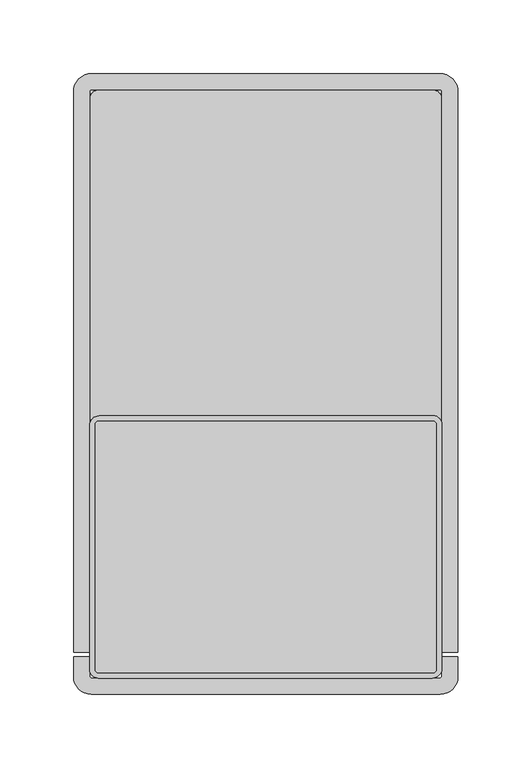
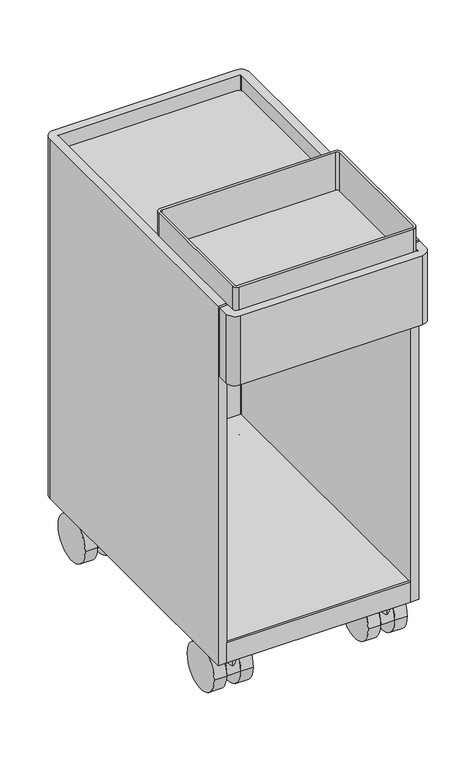
"""IFC4 building model written with IfcOpenShell, lengths in millimetres: furniture geometry."""

from ifc_helpers import new_model, si_unit, point, frame, frame_2d, origin, place, context, project, spatial, polyline, circle_curve, trimmed, segment, composite_curve, outline, extrude, source, transform, mapped, element, save
from ifc_brep_helpers import plane_surface, cylinder_surface, revolved_surface, advanced_brep


def furniture_bc8585e8(model_context):
    return source(origin(), model_context, "Body", "SolidModel", [
        advanced_brep(
        [(230.8338534, 392.1080568, 81.9865934), (230.8338534, 384.3838281, 81.9865934), (230.8338534, 388.2459425, 81.9865934), (230.8338534, 396.2469802, 60.9600009), (230.8338534, 380.2449047, 60.9600009), (230.8338534, 396.2469802, 30.4800005), (230.8338534, 380.2449047, 30.4800005), (230.8338534, 388.2459425, 30.4800005)],
        [
            (0, 1, circle_curve(frame((230.8338534, 388.2459425, 81.9865934), z_axis=(0.0, 0.0, 1.0), x_axis=(0.0, -1.0, 0.0)), 3.8621143)),
            (1, 2),
            (2, 0),
            (1, 0, circle_curve(frame((230.8338534, 388.2459425, 81.9865934), z_axis=(0.0, 0.0, 1.0), x_axis=(0.0, -1.0, 0.0)), 3.8621143)),
            (0, 3),
            (3, 4, circle_curve(frame((230.8338534, 388.2459425, 60.9600009), z_axis=(0.0, 0.0, 1.0), x_axis=(0.0, -1.0, 0.0)), 8.0010378)),
            (4, 1),
            (4, 3, circle_curve(frame((230.8338534, 388.2459425, 60.9600009), z_axis=(0.0, 0.0, 1.0), x_axis=(0.0, -1.0, 0.0)), 8.0010378)),
            (3, 5),
            (5, 6, circle_curve(frame((230.8338534, 388.2459425, 30.4800005), z_axis=(0.0, 0.0, 1.0), x_axis=(0.0, -1.0, 0.0)), 8.0010378)),
            (6, 4),
            (6, 5, circle_curve(frame((230.8338534, 388.2459425, 30.4800005), z_axis=(0.0, 0.0, 1.0), x_axis=(0.0, -1.0, 0.0)), 8.0010378)),
            (5, 7),
            (7, 6),
        ],
        [
            plane_surface(frame((230.8338534, 388.2459425, 81.9865934), z_axis=(0.0, 0.0, 1.0), x_axis=(0.0, -1.0, 0.0))),
            revolved_surface(polyline([(230.8338534, 384.3838281, 81.9865934), (230.8338534, 380.2449047, 60.9600009)]), (230.8338534, 388.2459425, 64.8312081), (0.0, 0.0, -1.0)),
            cylinder_surface(frame((230.8338534, 388.2459425, 64.8312081), z_axis=(0.0, 0.0, -1.0), x_axis=(0.0, -1.0, 0.0)), 8.0010378),
            plane_surface(frame((230.8338534, 388.2459425, 30.4800005), z_axis=(0.0, 0.0, -1.0), x_axis=(0.0, -1.0, 0.0))),
        ],
        [
            (0, [[1, 2, 3]]),
            (0, [[-2, 4, -3]]),
            (1, [[-1, 5, 6, 7]]),
            (1, [[-4, -7, 8, -5]]),
            (2, [[-6, 9, 10, 11]]),
            (2, [[-8, -11, 12, -9]]),
            (3, [[-10, 13, 14]]),
            (3, [[-12, -14, -13]]),
        ],
    ),
        extrude(outline(composite_curve([segment(trimmed(circle_curve(frame_2d((367.9259255, 30.4800005)), 30.4800005), [point((337.445925, 30.4800005))], [point((398.405926, 30.4800005))], False, "CARTESIAN"), True, "CONTINUOUS"), segment(trimmed(circle_curve(frame_2d((367.9259255, 30.4800005)), 30.4800005), [point((398.405926, 30.4800005))], [point((337.445925, 30.4800005))], False, "CARTESIAN"), True, "CONTINUOUS")], self_intersect=False)), frame((240.2318535, 0.0, 0.0), z_axis=(1.0, 0.0, 0.0), x_axis=(0.0, 1.0, 0.0)), (0.0, 0.0, 1.0), 16.0020006),
        extrude(outline(composite_curve([segment(trimmed(circle_curve(frame_2d((367.9259255, 30.4800005)), 30.4800005), [point((337.445925, 30.4800005))], [point((398.405926, 30.4800005))], False, "CARTESIAN"), True, "CONTINUOUS"), segment(trimmed(circle_curve(frame_2d((367.9259255, 30.4800005)), 30.4800005), [point((398.405926, 30.4800005))], [point((337.445925, 30.4800005))], False, "CARTESIAN"), True, "CONTINUOUS")], self_intersect=False)), frame((205.4338526, 0.0, 0.0), z_axis=(1.0, 0.0, 0.0), x_axis=(0.0, 1.0, 0.0)), (0.0, 0.0, 1.0), 16.0020008),
        extrude(outline(composite_curve([segment(trimmed(circle_curve(frame_2d((367.9259255, 30.4800005)), 30.4800005), [point((337.445925, 30.4800005))], [point((398.405926, 30.4800005))], False, "CARTESIAN"), True, "CONTINUOUS"), segment(polyline([(398.405926, 30.4800005), (337.445925, 30.4800005)]), True, "CONTINUOUS")], self_intersect=False)), frame((222.2935172, 0.0, 0.0), z_axis=(1.0, 0.0, 0.0), x_axis=(0.0, 1.0, 0.0)), (0.0, 0.0, 1.0), 17.0806723),
        advanced_brep(
        [(230.8338534, 56.2728064, 81.9865934), (230.8338534, 60.1349207, 81.9865934), (230.8338534, 52.410692, 81.9865934), (230.8338534, 64.2738442, 60.9600009), (230.8338534, 48.2717686, 60.9600009), (230.8338534, 64.2738442, 30.4800005), (230.8338534, 48.2717686, 30.4800005), (230.8338534, 56.2728064, 30.4800005)],
        [
            (0, 1),
            (1, 2, circle_curve(frame((230.8338534, 56.2728064, 81.9865934), z_axis=(0.0, 0.0, 1.0), x_axis=(0.0, 1.0, 0.0)), 3.8621143)),
            (2, 0),
            (2, 1, circle_curve(frame((230.8338534, 56.2728064, 81.9865934), z_axis=(0.0, 0.0, 1.0), x_axis=(0.0, 1.0, 0.0)), 3.8621143)),
            (1, 3),
            (3, 4, circle_curve(frame((230.8338534, 56.2728064, 60.9600009), z_axis=(0.0, 0.0, 1.0), x_axis=(0.0, 1.0, 0.0)), 8.0010378)),
            (4, 2),
            (4, 3, circle_curve(frame((230.8338534, 56.2728064, 60.9600009), z_axis=(0.0, 0.0, 1.0), x_axis=(0.0, 1.0, 0.0)), 8.0010378)),
            (3, 5),
            (5, 6, circle_curve(frame((230.8338534, 56.2728064, 30.4800005), z_axis=(0.0, 0.0, 1.0), x_axis=(0.0, 1.0, 0.0)), 8.0010378)),
            (6, 4),
            (6, 5, circle_curve(frame((230.8338534, 56.2728064, 30.4800005), z_axis=(0.0, 0.0, 1.0), x_axis=(0.0, 1.0, 0.0)), 8.0010378)),
            (5, 7),
            (7, 6),
        ],
        [
            plane_surface(frame((230.8338534, 56.2728064, 81.9865934), z_axis=(0.0, 0.0, 1.0), x_axis=(0.0, 1.0, 0.0))),
            revolved_surface(polyline([(230.8338534, 64.2738442, 60.9600009), (230.8338534, 60.1349207, 81.9865934)]), (230.8338534, 56.2728064, 64.8312081), (0.0, 0.0, 1.0)),
            cylinder_surface(frame((230.8338534, 56.2728064, 64.8312081), z_axis=(0.0, 0.0, 1.0), x_axis=(0.0, 1.0, 0.0)), 8.0010378),
            plane_surface(frame((230.8338534, 56.2728064, 30.4800005), z_axis=(0.0, 0.0, -1.0), x_axis=(0.0, 1.0, 0.0))),
        ],
        [
            (0, [[1, 2, 3]]),
            (0, [[-1, -3, 4]]),
            (1, [[-2, 5, 6, 7]]),
            (1, [[-4, -7, 8, -5]]),
            (2, [[-6, 9, 10, 11]]),
            (2, [[-8, -11, 12, -9]]),
            (3, [[-10, 13, 14]]),
            (3, [[-12, -14, -13]]),
        ],
    ),
        extrude(outline(composite_curve([segment(trimmed(circle_curve(frame_2d((76.5928234, 30.4800005)), 30.4800005), [point((46.1128229, 30.4800005))], [point((107.0728238, 30.4800005))], False, "CARTESIAN"), True, "CONTINUOUS"), segment(trimmed(circle_curve(frame_2d((76.5928234, 30.4800005)), 30.4800005), [point((107.0728238, 30.4800005))], [point((46.1128229, 30.4800005))], False, "CARTESIAN"), True, "CONTINUOUS")], self_intersect=False)), frame((240.2318535, 0.0, 0.0), z_axis=(1.0, 0.0, 0.0), x_axis=(0.0, 1.0, 0.0)), (0.0, 0.0, 1.0), 16.0020006),
        extrude(outline(composite_curve([segment(trimmed(circle_curve(frame_2d((76.5928234, 30.4800005)), 30.4800005), [point((107.0728238, 30.4800005))], [point((46.1128229, 30.4800005))], False, "CARTESIAN"), True, "CONTINUOUS"), segment(trimmed(circle_curve(frame_2d((76.5928234, 30.4800005)), 30.4800005), [point((46.1128229, 30.4800005))], [point((107.0728238, 30.4800005))], False, "CARTESIAN"), True, "CONTINUOUS")], self_intersect=False)), frame((205.4338526, 0.0, 0.0), z_axis=(1.0, 0.0, 0.0), x_axis=(0.0, 1.0, 0.0)), (0.0, 0.0, 1.0), 16.0020008),
        extrude(outline(composite_curve([segment(trimmed(circle_curve(frame_2d((76.5928234, 30.4800005)), 30.4800005), [point((46.1128229, 30.4800005))], [point((107.0728238, 30.4800005))], False, "CARTESIAN"), True, "CONTINUOUS"), segment(polyline([(107.0728238, 30.4800005), (46.1128229, 30.4800005)]), True, "CONTINUOUS")], self_intersect=False)), frame((222.2935172, 0.0, 0.0), z_axis=(1.0, 0.0, 0.0), x_axis=(0.0, 1.0, 0.0)), (0.0, 0.0, 1.0), 17.0806723),
        advanced_brep(
        [(30.1661494, 388.2459425, 81.9865934), (30.1661494, 384.3838281, 81.9865934), (30.1661494, 392.1080568, 81.9865934), (30.1661494, 380.2449047, 60.9600009), (30.1661494, 396.2469802, 60.9600009), (30.1661494, 380.2449047, 30.4800005), (30.1661494, 396.2469802, 30.4800005), (30.1661494, 388.2459425, 30.4800005)],
        [
            (0, 1),
            (1, 2, circle_curve(frame((30.1661494, 388.2459425, 81.9865934), z_axis=(0.0, 0.0, 1.0), x_axis=(0.0, -1.0, 0.0)), 3.8621143)),
            (2, 0),
            (2, 1, circle_curve(frame((30.1661494, 388.2459425, 81.9865934), z_axis=(0.0, 0.0, 1.0), x_axis=(0.0, -1.0, 0.0)), 3.8621143)),
            (1, 3),
            (3, 4, circle_curve(frame((30.1661494, 388.2459425, 60.9600009), z_axis=(0.0, 0.0, 1.0), x_axis=(0.0, -1.0, 0.0)), 8.0010378)),
            (4, 2),
            (4, 3, circle_curve(frame((30.1661494, 388.2459425, 60.9600009), z_axis=(0.0, 0.0, 1.0), x_axis=(0.0, -1.0, 0.0)), 8.0010378)),
            (3, 5),
            (5, 6, circle_curve(frame((30.1661494, 388.2459425, 30.4800005), z_axis=(0.0, 0.0, 1.0), x_axis=(0.0, -1.0, 0.0)), 8.0010378)),
            (6, 4),
            (6, 5, circle_curve(frame((30.1661494, 388.2459425, 30.4800005), z_axis=(0.0, 0.0, 1.0), x_axis=(0.0, -1.0, 0.0)), 8.0010378)),
            (5, 7),
            (7, 6),
        ],
        [
            plane_surface(frame((30.1661494, 388.2459425, 81.9865934), z_axis=(0.0, 0.0, 1.0), x_axis=(0.0, -1.0, 0.0))),
            revolved_surface(polyline([(30.1661494, 380.2449047, 60.9600009), (30.1661494, 384.3838281, 81.9865934)]), (30.1661494, 388.2459425, 64.8312081), (0.0, 0.0, 1.0)),
            cylinder_surface(frame((30.1661494, 388.2459425, 64.8312081), z_axis=(0.0, 0.0, 1.0), x_axis=(0.0, -1.0, 0.0)), 8.0010378),
            plane_surface(frame((30.1661494, 388.2459425, 30.4800005), z_axis=(0.0, 0.0, -1.0), x_axis=(0.0, -1.0, 0.0))),
        ],
        [
            (0, [[1, 2, 3]]),
            (0, [[-1, -3, 4]]),
            (1, [[-2, 5, 6, 7]]),
            (1, [[-4, -7, 8, -5]]),
            (2, [[-6, 9, 10, 11]]),
            (2, [[-8, -11, 12, -9]]),
            (3, [[-10, 13, 14]]),
            (3, [[-12, -14, -13]]),
        ],
    ),
        extrude(outline(composite_curve([segment(trimmed(circle_curve(frame_2d((367.9259255, 30.4800005)), 30.4800005), [point((337.445925, 30.4800005))], [point((398.405926, 30.4800005))], False, "CARTESIAN"), True, "CONTINUOUS"), segment(trimmed(circle_curve(frame_2d((367.9259255, 30.4800005)), 30.4800005), [point((398.405926, 30.4800005))], [point((337.445925, 30.4800005))], False, "CARTESIAN"), True, "CONTINUOUS")], self_intersect=False)), frame((4.7661486, 0.0, 0.0), z_axis=(1.0, 0.0, 0.0), x_axis=(0.0, 1.0, 0.0)), (0.0, 0.0, 1.0), 16.0020006),
        extrude(outline(composite_curve([segment(trimmed(circle_curve(frame_2d((367.9259255, 30.4800005)), 30.4800005), [point((337.445925, 30.4800005))], [point((398.405926, 30.4800005))], False, "CARTESIAN"), True, "CONTINUOUS"), segment(trimmed(circle_curve(frame_2d((367.9259255, 30.4800005)), 30.4800005), [point((398.405926, 30.4800005))], [point((337.445925, 30.4800005))], False, "CARTESIAN"), True, "CONTINUOUS")], self_intersect=False)), frame((39.5641494, 0.0, 0.0), z_axis=(1.0, 0.0, 0.0), x_axis=(0.0, 1.0, 0.0)), (0.0, 0.0, 1.0), 16.0020008),
        extrude(outline(composite_curve([segment(trimmed(circle_curve(frame_2d((367.9259255, 30.4800005)), 30.4800005), [point((337.445925, 30.4800005))], [point((398.405926, 30.4800005))], False, "CARTESIAN"), True, "CONTINUOUS"), segment(polyline([(398.405926, 30.4800005), (337.445925, 30.4800005)]), True, "CONTINUOUS")], self_intersect=False)), frame((21.6258132, 0.0, 0.0), z_axis=(1.0, 0.0, 0.0), x_axis=(0.0, 1.0, 0.0)), (0.0, 0.0, 1.0), 17.0806723),
        advanced_brep(
        [(30.1661494, 52.410692, 81.9865934), (30.1661494, 60.1349207, 81.9865934), (30.1661494, 56.2728064, 81.9865934), (30.1661494, 48.2717686, 60.9600009), (30.1661494, 64.2738442, 60.9600009), (30.1661494, 48.2717686, 30.4800005), (30.1661494, 64.2738442, 30.4800005), (30.1661494, 56.2728064, 30.4800005)],
        [
            (0, 1, circle_curve(frame((30.1661494, 56.2728064, 81.9865934), z_axis=(0.0, 0.0, 1.0), x_axis=(0.0, 1.0, 0.0)), 3.8621143)),
            (1, 2),
            (2, 0),
            (1, 0, circle_curve(frame((30.1661494, 56.2728064, 81.9865934), z_axis=(0.0, 0.0, 1.0), x_axis=(0.0, 1.0, 0.0)), 3.8621143)),
            (3, 4, circle_curve(frame((30.1661494, 56.2728064, 60.9600009), z_axis=(0.0, 0.0, 1.0), x_axis=(0.0, 1.0, 0.0)), 8.0010378)),
            (4, 1),
            (0, 3),
            (4, 3, circle_curve(frame((30.1661494, 56.2728064, 60.9600009), z_axis=(0.0, 0.0, 1.0), x_axis=(0.0, 1.0, 0.0)), 8.0010378)),
            (5, 6, circle_curve(frame((30.1661494, 56.2728064, 30.4800005), z_axis=(0.0, 0.0, 1.0), x_axis=(0.0, 1.0, 0.0)), 8.0010378)),
            (6, 4),
            (3, 5),
            (6, 5, circle_curve(frame((30.1661494, 56.2728064, 30.4800005), z_axis=(0.0, 0.0, 1.0), x_axis=(0.0, 1.0, 0.0)), 8.0010378)),
            (7, 6),
            (5, 7),
        ],
        [
            plane_surface(frame((30.1661494, 56.2728064, 81.9865934), z_axis=(0.0, 0.0, 1.0), x_axis=(0.0, 1.0, 0.0))),
            revolved_surface(polyline([(30.1661494, 60.1349207, 81.9865934), (30.1661494, 64.2738442, 60.9600009)]), (30.1661494, 56.2728064, 64.8312081), (0.0, 0.0, -1.0)),
            cylinder_surface(frame((30.1661494, 56.2728064, 64.8312081), z_axis=(0.0, 0.0, -1.0), x_axis=(0.0, 1.0, 0.0)), 8.0010378),
            plane_surface(frame((30.1661494, 56.2728064, 30.4800005), z_axis=(0.0, 0.0, -1.0), x_axis=(0.0, 1.0, 0.0))),
        ],
        [
            (0, [[1, 2, 3]]),
            (0, [[4, -3, -2]]),
            (1, [[5, 6, -1, 7]]),
            (1, [[8, -7, -4, -6]]),
            (2, [[9, 10, -5, 11]]),
            (2, [[12, -11, -8, -10]]),
            (3, [[13, -9, 14]]),
            (3, [[-14, -12, -13]]),
        ],
    ),
        advanced_brep(
        [(4.7661486, 107.0728238, 30.4800005), (4.7661486, 46.1128229, 30.4800005), (20.7681494, 107.0728238, 30.4800005), (20.7681494, 76.5928234, 0.0), (20.7681494, 46.1128229, 30.4800005)],
        [
            (0, 1, circle_curve(frame((4.7661486, 76.5928234, 30.4800005), z_axis=(-1.0, 0.0, 0.0), x_axis=(0.0, -1.0, 0.0)), 30.4800005)),
            (1, 0, circle_curve(frame((4.7661486, 76.5928234, 30.4800005), z_axis=(-1.0, 0.0, 0.0), x_axis=(0.0, -1.0, 0.0)), 30.4800005)),
            (0, 2),
            (2, 3, circle_curve(frame((20.7681494, 76.5928234, 30.4800005), z_axis=(-1.0, 0.0, 0.0), x_axis=(0.0, -1.0, 0.0)), 30.4800005)),
            (3, 4, circle_curve(frame((20.7681494, 76.5928234, 30.4800005), z_axis=(-1.0, 0.0, 0.0), x_axis=(0.0, -1.0, 0.0)), 30.4800005)),
            (4, 1),
            (4, 2, circle_curve(frame((20.7681494, 76.5928234, 30.4800005), z_axis=(-1.0, 0.0, 0.0), x_axis=(0.0, -1.0, 0.0)), 30.4800005)),
        ],
        [
            plane_surface(frame((4.7661486, 46.1128229, 30.4800005), z_axis=(-1.0, 0.0, 0.0), x_axis=(0.0, 0.0, 1.0))),
            cylinder_surface(frame((55.5661501, 76.5928234, 30.4800005), z_axis=(-1.0, 0.0, 0.0), x_axis=(0.0, -1.0, 0.0)), 30.4800005),
            plane_surface(frame((20.7681494, 107.0728238, 64.8312081), z_axis=(1.0, 0.0, 0.0), x_axis=(0.0, 0.0, -1.0))),
        ],
        [
            (0, [[1, 2]]),
            (1, [[-1, 3, 4, 5, 6]]),
            (1, [[-2, -6, 7, -3]]),
            (2, [[-4, -7, -5]]),
        ],
    ),
        advanced_brep(
        [(55.5661501, 107.0728238, 30.4800005), (55.5661501, 46.1128229, 30.4800005), (39.5641494, 46.1128229, 30.4800005), (39.5641494, 76.5928234, 0.0), (39.5641494, 107.0728238, 30.4800005)],
        [
            (0, 1, circle_curve(frame((55.5661501, 76.5928234, 30.4800005), z_axis=(1.0, 0.0, 0.0), x_axis=(0.0, -1.0, 0.0)), 30.4800005)),
            (1, 0, circle_curve(frame((55.5661501, 76.5928234, 30.4800005), z_axis=(1.0, 0.0, 0.0), x_axis=(0.0, -1.0, 0.0)), 30.4800005)),
            (1, 2),
            (2, 3, circle_curve(frame((39.5641494, 76.5928234, 30.4800005), z_axis=(1.0, 0.0, 0.0), x_axis=(0.0, -1.0, 0.0)), 30.4800005)),
            (3, 4, circle_curve(frame((39.5641494, 76.5928234, 30.4800005), z_axis=(1.0, 0.0, 0.0), x_axis=(0.0, -1.0, 0.0)), 30.4800005)),
            (4, 0),
            (4, 2, circle_curve(frame((39.5641494, 76.5928234, 30.4800005), z_axis=(1.0, 0.0, 0.0), x_axis=(0.0, -1.0, 0.0)), 30.4800005)),
        ],
        [
            plane_surface(frame((55.5661501, 46.1128229, 30.4800005), z_axis=(1.0, 0.0, 0.0), x_axis=(0.0, 0.0, -1.0))),
            cylinder_surface(frame((55.5661501, 76.5928234, 30.4800005), z_axis=(-1.0, 0.0, 0.0), x_axis=(0.0, -1.0, 0.0)), 30.4800005),
            plane_surface(frame((39.5641494, 46.1128229, 64.8312081), z_axis=(-1.0, 0.0, 0.0), x_axis=(0.0, 0.0, -1.0))),
        ],
        [
            (0, [[1, 2]]),
            (1, [[-2, 3, 4, 5, 6]]),
            (1, [[-1, -6, 7, -3]]),
            (2, [[-5, -4, -7]]),
        ],
    ),
        advanced_brep(
        [(38.7064855, 46.1128229, 30.4800005), (38.7064855, 107.0728238, 30.4800005), (21.6258132, 107.0728238, 30.4800005), (21.6258132, 46.1128229, 30.4800005)],
        [
            (0, 1, circle_curve(frame((38.7064855, 76.5928234, 30.4800005), z_axis=(-1.0, 0.0, 0.0), x_axis=(0.0, -1.0, 0.0)), 30.4800005)),
            (1, 2),
            (2, 3, circle_curve(frame((21.6258132, 76.5928234, 30.4800005), z_axis=(1.0, 0.0, 0.0), x_axis=(0.0, -1.0, 0.0)), 30.4800005)),
            (3, 0),
            (0, 1),
            (2, 3),
        ],
        [
            cylinder_surface(frame((55.5661501, 76.5928234, 30.4800005), z_axis=(-1.0, 0.0, 0.0), x_axis=(0.0, -1.0, 0.0)), 30.4800005),
            plane_surface(frame((38.7064855, 107.0728238, 64.8312081), z_axis=(1.0, 0.0, 0.0), x_axis=(0.0, 0.0, -1.0))),
            plane_surface(frame((21.6258132, 46.1128229, 64.8312081), z_axis=(-1.0, 0.0, 0.0), x_axis=(0.0, 0.0, -1.0))),
            plane_surface(frame((39.5641494, 107.0728238, 30.4800005), z_axis=(0.0, 0.0, -1.0), x_axis=(-1.0, 0.0, 0.0))),
        ],
        [
            (0, [[1, 2, 3, 4]]),
            (1, [[-1, 5]]),
            (2, [[-3, 6]]),
            (3, [[-2, -5, -4, -6]]),
        ],
    ),
        extrude(outline(polyline([(250.0087041, 28.4999932), (10.9912986, 28.4999932), (10.9912986, 31.5479932), (250.0087041, 31.5479932), (250.0087041, 28.4999932)])), frame((0.0, 0.0, 62.7640559), z_axis=(0.0, 0.0, 1.0), x_axis=(1.0, 0.0, 0.0)), (0.0, 0.0, 1.0), 27.3200257),
        extrude(outline(composite_curve([segment(trimmed(circle_curve(frame_2d((244.2838638, 183.3602206)), 5.7248403), [point((244.2838638, 189.0850609))], [point((250.0087041, 183.3602206))], False, "CARTESIAN"), True, "CONTINUOUS"), segment(polyline([(250.0087041, 183.3602206), (250.0087041, 17.3412986)]), True, "CONTINUOUS"), segment(trimmed(circle_curve(frame_2d((243.6587041, 17.3412986)), 6.35), [point((250.0087041, 17.3412986))], [point((243.6587041, 10.9912986))], False, "CARTESIAN"), True, "CONTINUOUS"), segment(polyline([(243.6587041, 10.9912986), (16.7062986, 10.9912986)]), True, "CONTINUOUS"), segment(trimmed(circle_curve(frame_2d((16.7062986, 16.7062986)), 5.715), [point((16.7062986, 10.9912986))], [point((10.9912986, 16.7062986))], False, "CARTESIAN"), True, "CONTINUOUS"), segment(polyline([(10.9912986, 16.7062986), (10.9912986, 182.7350609)]), True, "CONTINUOUS"), segment(trimmed(circle_curve(frame_2d((17.3412986, 182.7350609)), 6.35), [point((10.9912986, 182.7350609))], [point((17.3412986, 189.0850609))], False, "CARTESIAN"), True, "CONTINUOUS"), segment(polyline([(17.3412986, 189.0850609), (244.2838638, 189.0850609)]), True, "CONTINUOUS")], self_intersect=False), holes=[composite_curve([segment(polyline([(243.9127041, 185.5290609), (17.0872986, 185.5290609)]), True, "CONTINUOUS"), segment(trimmed(circle_curve(frame_2d((17.0872986, 182.9890609)), 2.54), [point((17.0872986, 185.5290609))], [point((14.5472986, 182.9890609))], True, "CARTESIAN"), True, "CONTINUOUS"), segment(polyline([(14.5472986, 182.9890609), (14.5472986, 17.0872986)]), True, "CONTINUOUS"), segment(trimmed(circle_curve(frame_2d((17.0872986, 17.0872986)), 2.54), [point((14.5472986, 17.0872986))], [point((17.0872986, 14.5472986))], True, "CARTESIAN"), True, "CONTINUOUS"), segment(polyline([(17.0872986, 14.5472986), (243.9127041, 14.5472986)]), True, "CONTINUOUS"), segment(trimmed(circle_curve(frame_2d((243.9127041, 17.0872986)), 2.54), [point((243.9127041, 14.5472986))], [point((246.4527041, 17.0872986))], True, "CARTESIAN"), True, "CONTINUOUS"), segment(polyline([(246.4527041, 17.0872986), (246.4527041, 182.9890609)]), True, "CONTINUOUS"), segment(trimmed(circle_curve(frame_2d((243.9127041, 182.9890609)), 2.54), [point((246.4527041, 182.9890609))], [point((243.9127041, 185.5290609))], True, "CARTESIAN"), True, "CONTINUOUS")], self_intersect=False)]), frame((0.0, 0.0, 527.4118917), z_axis=(0.0, 0.0, 1.0), x_axis=(1.0, 0.0, 0.0)), (0.0, 0.0, 1.0), 61.757088),
        extrude(outline(composite_curve([segment(trimmed(circle_curve(frame_2d((243.6587041, 404.1587003)), 6.35), [point((243.6587041, 410.5087003))], [point((250.0087041, 404.1587003))], False, "CARTESIAN"), True, "CONTINUOUS"), segment(polyline([(250.0087041, 404.1587003), (250.0087041, 17.3412986)]), True, "CONTINUOUS"), segment(trimmed(circle_curve(frame_2d((243.6587041, 17.3412986)), 6.35), [point((250.0087041, 17.3412986))], [point((243.6587041, 10.9912986))], False, "CARTESIAN"), True, "CONTINUOUS"), segment(polyline([(243.6587041, 10.9912986), (17.3412986, 10.9912986)]), True, "CONTINUOUS"), segment(trimmed(circle_curve(frame_2d((17.3412986, 17.3412986)), 6.35), [point((17.3412986, 10.9912986))], [point((10.9912986, 17.3412986))], False, "CARTESIAN"), True, "CONTINUOUS"), segment(polyline([(10.9912986, 17.3412986), (10.9912986, 404.1587003)]), True, "CONTINUOUS"), segment(trimmed(circle_curve(frame_2d((17.3412986, 404.1587003)), 6.35), [point((10.9912986, 404.1587003))], [point((17.3412986, 410.5087003))], False, "CARTESIAN"), True, "CONTINUOUS"), segment(polyline([(17.3412986, 410.5087003), (243.6587041, 410.5087003)]), True, "CONTINUOUS")], self_intersect=False)), frame((0.0, 0.0, 527.4118917), z_axis=(0.0, 0.0, 1.0), x_axis=(1.0, 0.0, 0.0)), (0.0, 0.0, 1.0), 10.16),
        extrude(outline(composite_curve([segment(polyline([(250.0087041, 25.5000015), (261.0000027, 25.5000015), (261.0000027, 11.9509481)]), True, "CONTINUOUS"), segment(trimmed(circle_curve(frame_2d((249.0490547, 11.9509481)), 11.9509481), [point((261.0000027, 11.9509481))], [point((249.0490547, 0.0))], False, "CARTESIAN"), True, "CONTINUOUS"), segment(polyline([(249.0490547, 0.0), (11.9689086, 0.0)]), True, "CONTINUOUS"), segment(trimmed(circle_curve(frame_2d((11.9689086, 11.9689086)), 11.9689086), [point((11.9689086, 0.0))], [point((0.0, 11.9689086))], False, "CARTESIAN"), True, "CONTINUOUS"), segment(polyline([(0.0, 11.9689086), (0.0, 25.5000015), (10.9912986, 25.5000015), (10.9912986, 11.8911967)]), True, "CONTINUOUS"), segment(trimmed(circle_curve(frame_2d((11.8911967, 11.8911967)), 0.8998981), [point((10.9912986, 11.8911967))], [point((11.8911967, 10.9912986))], True, "CARTESIAN"), True, "CONTINUOUS"), segment(polyline([(11.8911967, 10.9912986), (249.0537338, 10.9912986)]), True, "CONTINUOUS"), segment(trimmed(circle_curve(frame_2d((249.0537338, 11.9462689)), 0.9549703), [point((249.0537338, 10.9912986))], [point((250.0087041, 11.9462689))], True, "CARTESIAN"), True, "CONTINUOUS"), segment(polyline([(250.0087041, 11.9462689), (250.0087041, 25.5000015)]), True, "CONTINUOUS")], self_intersect=False)), frame((0.0, 0.0, 462.6418917), z_axis=(0.0, 0.0, 1.0), x_axis=(1.0, 0.0, 0.0)), (0.0, 0.0, 1.0), 95.25),
        extrude(outline(polyline([(250.0087041, 410.5087003), (250.0087041, 31.5479932), (10.9912986, 31.5479932), (10.9912986, 410.5087003), (250.0087041, 410.5087003)])), frame((0.0, 0.0, 73.8130559), z_axis=(0.0, 0.0, 1.0), x_axis=(1.0, 0.0, 0.0)), (0.0, 0.0, 1.0), 16.2710257),
        extrude(outline(composite_curve([segment(trimmed(circle_curve(frame_2d((248.8080027, 409.3079989)), 12.192), [point((248.8080027, 421.4999989))], [point((261.0000027, 409.3079989))], False, "CARTESIAN"), True, "CONTINUOUS"), segment(polyline([(261.0000027, 409.3079989), (261.0000027, 28.4999932), (250.0087041, 28.4999932), (250.0087041, 409.4565578)]), True, "CONTINUOUS"), segment(trimmed(circle_curve(frame_2d((248.9565617, 409.4565578)), 1.0521425), [point((250.0087041, 409.4565578))], [point((248.9565617, 410.5087003))], True, "CARTESIAN"), True, "CONTINUOUS"), segment(polyline([(248.9565617, 410.5087003), (12.0072986, 410.5087003)]), True, "CONTINUOUS"), segment(trimmed(circle_curve(frame_2d((12.0072986, 409.4927003)), 1.016), [point((12.0072986, 410.5087003))], [point((10.9912986, 409.4927003))], True, "CARTESIAN"), True, "CONTINUOUS"), segment(polyline([(10.9912986, 409.4927003), (10.9912986, 28.4999932), (0.0, 28.4999932), (0.0, 409.3079989)]), True, "CONTINUOUS"), segment(trimmed(circle_curve(frame_2d((12.192, 409.3079989)), 12.192), [point((0.0, 409.3079989))], [point((12.192, 421.4999989))], False, "CARTESIAN"), True, "CONTINUOUS"), segment(polyline([(12.192, 421.4999989), (248.8080027, 421.4999989)]), True, "CONTINUOUS")], self_intersect=False)), frame((0.0, 0.0, 62.7640559), z_axis=(0.0, 0.0, 1.0), x_axis=(1.0, 0.0, 0.0)), (0.0, 0.0, 1.0), 495.1278357),
    ])


if __name__ == "__main__":
    model = new_model("IFC4")
    model_context = context("Model", 3, world=origin())
    ifc_project = project(units=[si_unit("LENGTHUNIT", "METRE", prefix="MILLI")], contexts=[model_context])
    site = spatial("IfcSite", under=ifc_project)
    building = spatial("IfcBuilding", under=site)
    placement = place(None, origin())
    furniture_shape = furniture_bc8585e8(model_context)
    element("IfcFurniture", 1, at=placement, inside=building, context=model_context, shape_type="MappedRepresentation", body=[
        mapped(furniture_shape, transform((0.0, 0.0, 0.0), x_axis=(1.0, 0.0, 0.0), y_axis=(0.0, 1.0, 0.0), z_axis=(0.0, 0.0, 1.0))),
    ])
    save(model, "model.ifc")
